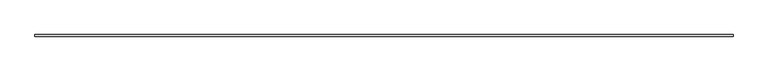
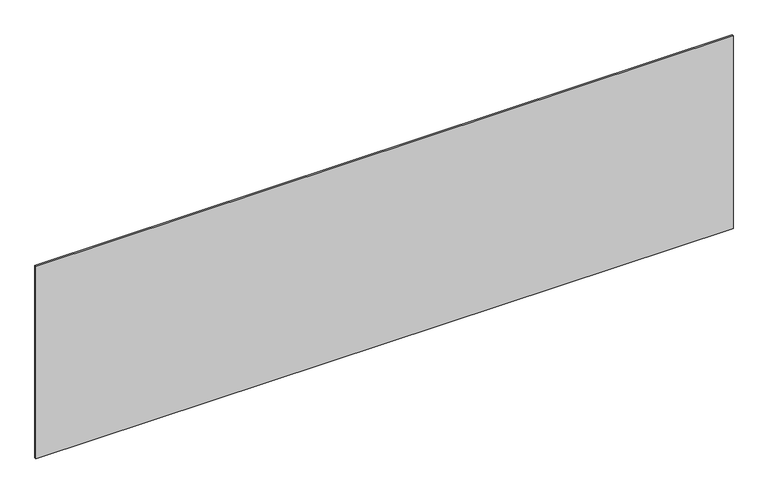
"""IFC4 building model written with IfcOpenShell, lengths in millimetres: plate geometry."""

from ifc_helpers import new_model, si_unit, origin, origin_with_axes, place, context, project, spatial, polyline, outline, extrude, source, transform, mapped, element, save


def plate_9b96d5dc(model_context):
    return source(origin(), model_context, "Body", "SweptSolid", [
        extrude(outline(polyline([(2189.1666667, -5.0), (-2189.1666667, -5.0), (-2189.1666667, 5.0), (2189.1666667, 5.0), (2189.1666667, -5.0)])), origin_with_axes(), (0.0, 0.0, 1.0), 1279.125426),
    ])


if __name__ == "__main__":
    model = new_model("IFC4")
    model_context = context("Model", 3, world=origin())
    ifc_project = project(units=[si_unit("LENGTHUNIT", "METRE", prefix="MILLI")], contexts=[model_context])
    site = spatial("IfcSite", under=ifc_project)
    building = spatial("IfcBuilding", under=site)
    placement = place(None, origin())
    plate_shape = plate_9b96d5dc(model_context)
    element("IfcPlate", 1, at=placement, inside=building, context=model_context, shape_type="MappedRepresentation", body=[
        mapped(plate_shape, transform((0.0, 0.0, 0.0), x_axis=(1.0, 0.0, 0.0), y_axis=(0.0, 1.0, 0.0), z_axis=(0.0, 0.0, 1.0))),
    ])
    save(model, "model.ifc")
